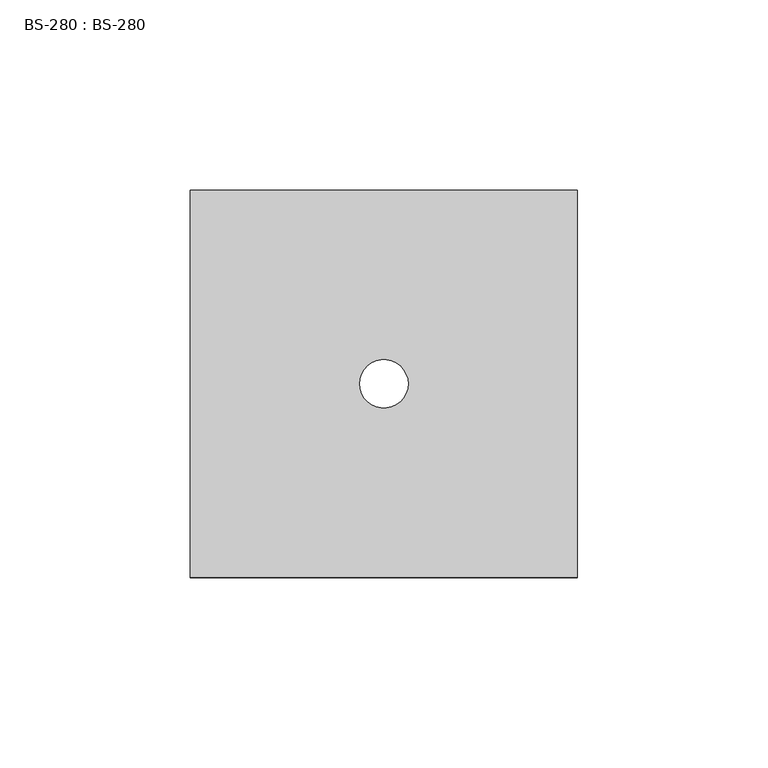
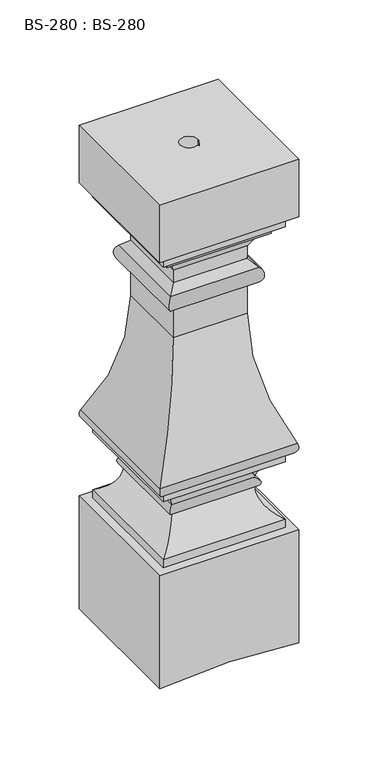
"""IFC4 building model written with IfcOpenShell, lengths in millimetres: proxy geometry, BS-280 : BS-280."""

import ifcopenshell
import ifcopenshell.guid

model = None  # the IFC model being written
_history = None  # IfcOwnerHistory: only IFC2X3 demands one
_inside = {}  # id of a spatial element -> (the spatial element, [elements in it])
_under = {}  # id of a project, library or spatial element -> (it, [spatial elements below it])
_declared = {}  # id of a project -> (the project, [libraries it declares])
_typed = {}  # id of a type object -> (the type object, [elements of that type])
_made_of = {}  # id of a material, layer set ... -> (it, [elements and type objects made of it])


def new_model(schema):
    """Start an empty IFC model of exactly this schema.

    Asked for "IFC4X3", IfcOpenShell would pick the latest addendum, in which some entities
    have other attributes; the version numbers below select the first issue.
    IFC2X3 requires an IfcOwnerHistory on every rooted entity: one is made here for all.
    """
    global model, _history
    if schema == "IFC4X3":
        model = ifcopenshell.file(schema_version=(4, 3, 0, 0))
    else:
        model = ifcopenshell.file(schema=schema)
    _inside.clear()
    _under.clear()
    _declared.clear()
    _typed.clear()
    _made_of.clear()
    _history = None
    if model.schema == "IFC2X3":
        org = make("IfcOrganization", Name="unknown")
        user = make(
            "IfcPersonAndOrganization",
            ThePerson=make("IfcPerson", FamilyName="unknown"),
            TheOrganization=org,
        )
        app = make(
            "IfcApplication",
            ApplicationDeveloper=org,
            Version="unknown",
            ApplicationFullName="unknown",
            ApplicationIdentifier="unknown",
        )
        _history = make(
            "IfcOwnerHistory",
            OwningUser=user,
            OwningApplication=app,
            ChangeAction="ADDED",
            CreationDate=0,
        )
    return model


def make(cls, **values):
    """One entity of the class cls with the attributes given. An attribute that is None is left unset."""
    return model.create_entity(
        cls, **{name: value for name, value in values.items() if value is not None}
    )


def rooted(cls, **values):
    """An entity with a GlobalId (a new one), such as an element, a storey or a relation."""
    return make(cls, GlobalId=ifcopenshell.guid.new(), OwnerHistory=_history, **values)


def si_unit(unit_type, name, prefix=None):
    """IfcSIUnit, for example si_unit("LENGTHUNIT", "METRE", prefix="MILLI")."""
    return make("IfcSIUnit", UnitType=unit_type, Prefix=prefix, Name=name)


def assignment(units):
    """IfcUnitAssignment: the units of a project."""
    return None if units is None else make("IfcUnitAssignment", Units=units)


def point(xyz):
    """IfcCartesianPoint."""
    return None if xyz is None else make("IfcCartesianPoint", Coordinates=xyz)


def direction(xyz):
    """IfcDirection."""
    return None if xyz is None else make("IfcDirection", DirectionRatios=xyz)


def frame(location, z_axis=None, x_axis=None):
    """IfcAxis2Placement3D, a coordinate frame: its origin and axes. An axis left out is left unset."""
    return make(
        "IfcAxis2Placement3D",
        Location=point(location),
        Axis=direction(z_axis),
        RefDirection=direction(x_axis),
    )


def origin():
    """The frame at (0, 0, 0) with its axes left unset."""
    return frame((0.0, 0.0, 0.0))


def place(relative_to, where):
    """IfcLocalPlacement: puts the frame where relative to a parent placement (None: the world)."""
    return make(
        "IfcLocalPlacement", PlacementRelTo=relative_to, RelativePlacement=where
    )


def context(
    kind, dimensions, precision=None, world=None, true_north=None, identifier=None
):
    """IfcGeometricRepresentationContext, for example the 3D "Model" context."""
    return make(
        "IfcGeometricRepresentationContext",
        ContextIdentifier=identifier,
        ContextType=kind,
        CoordinateSpaceDimension=dimensions,
        Precision=precision,
        WorldCoordinateSystem=world,
        TrueNorth=true_north,
    )


def project(units=None, contexts=None):
    """IfcProject with its units and contexts."""
    return rooted(
        "IfcProject",
        Name="project",
        RepresentationContexts=contexts,
        UnitsInContext=assignment(units),
    )


def spatial(cls, under=None, at=None, **own):
    """A site, building, storey or space (cls), placed at a placement, below another one or the project."""
    s = rooted(cls, ObjectPlacement=at, **own)
    if under is not None:
        _under.setdefault(under.id(), (under, []))[1].append(s)
    return s


def polyline(points):
    """IfcPolyline through the points."""
    return make("IfcPolyline", Points=[point(p) for p in points])


def circle_curve(where, radius):
    """IfcCircle in the frame where."""
    return make("IfcCircle", Position=where, Radius=radius)


def ellipse_curve(where, semi_axis1, semi_axis2):
    """IfcEllipse in the frame where."""
    return make(
        "IfcEllipse", Position=where, SemiAxis1=semi_axis1, SemiAxis2=semi_axis2
    )


def shape(context_of_items, identifier, shape_type, items):
    """IfcShapeRepresentation: the items that make up one representation, for example the "Body"."""
    return make(
        "IfcShapeRepresentation",
        ContextOfItems=context_of_items,
        RepresentationIdentifier=identifier,
        RepresentationType=shape_type,
        Items=items,
    )


def source(mapping_origin, context_of_items, identifier, shape_type, items):
    """IfcRepresentationMap: a shape defined once, which mapped items show again and again."""
    return make(
        "IfcRepresentationMap",
        MappingOrigin=mapping_origin,
        MappedRepresentation=shape(context_of_items, identifier, shape_type, items),
    )


def transform(
    local_origin,
    x_axis=None,
    y_axis=None,
    z_axis=None,
    scale=None,
    scale2=None,
    scale3=None,
    uniform=True,
):
    """IfcCartesianTransformationOperator3D, or its non-uniform kind. x_axis, y_axis, z_axis: its Axis1, 2, 3."""
    if uniform:
        return make(
            "IfcCartesianTransformationOperator3D",
            Axis1=direction(x_axis),
            Axis2=direction(y_axis),
            LocalOrigin=point(local_origin),
            Scale=scale,
            Axis3=direction(z_axis),
        )
    return make(
        "IfcCartesianTransformationOperator3DnonUniform",
        Axis1=direction(x_axis),
        Axis2=direction(y_axis),
        LocalOrigin=point(local_origin),
        Scale=scale,
        Axis3=direction(z_axis),
        Scale2=scale2,
        Scale3=scale3,
    )


def mapped(mapping_source, mapping_target):
    """IfcMappedItem: shows the shape of a source again, moved by a transform."""
    return make(
        "IfcMappedItem", MappingSource=mapping_source, MappingTarget=mapping_target
    )


def made_of(thing, what):
    """Note that an element or type object is made of a material, layer set ...; save() writes the relation."""
    if what is not None:
        _made_of.setdefault(what.id(), (what, []))[1].append(thing)
    return thing


def element(
    cls,
    number,
    at=None,
    inside=None,
    cuts=None,
    type_object=None,
    material=None,
    context=None,
    identifier="Body",
    shape_type=None,
    held_by="IfcProductDefinitionShape",
    body=None,
    shapes=None,
    **own,
):
    """One element of the class cls, such as IfcWall. Its Tag is "e" and its number.

    at: its placement. inside: the storey or other place that contains it. cuts: it is an
    opening in that element (IfcRelVoidsElement). A single representation is given by context,
    identifier, shape_type and body (its items); several are given by shapes. held_by: the class
    of the entity that holds the representations. save() writes the other relations.
    """
    e = rooted(cls, Tag="e%d" % number, ObjectPlacement=at, **own)
    if body is not None:
        shapes = [shape(context, identifier, shape_type, body)]
    if shapes is not None:
        e.Representation = make(held_by, Representations=shapes)
    if inside is not None:
        _inside.setdefault(inside.id(), (inside, []))[1].append(e)
    if cuts is not None:
        rooted(
            "IfcRelVoidsElement", RelatingBuildingElement=cuts, RelatedOpeningElement=e
        )
    if type_object is not None:
        _typed.setdefault(type_object.id(), (type_object, []))[1].append(e)
    return made_of(e, material)


def aggregate(whole, parts):
    """IfcRelAggregates: a whole, such as a stair, and the parts it consists of."""
    return rooted("IfcRelAggregates", RelatingObject=whole, RelatedObjects=parts)


def save(model, path):
    """Write the relations noted so far, then the file.

    IfcRelAggregates (storeys below a building ...), IfcRelContainedInSpatialStructure (elements
    in a storey), IfcRelDefinesByType, IfcRelAssociatesMaterial and IfcRelDeclares: one each for
    every whole, place, type object, material and project.
    """
    for whole, parts in _under.values():
        aggregate(whole, parts)
    for where, things in _inside.values():
        rooted(
            "IfcRelContainedInSpatialStructure",
            RelatedElements=things,
            RelatingStructure=where,
        )
    for kind, things in _typed.values():
        rooted("IfcRelDefinesByType", RelatedObjects=things, RelatingType=kind)
    for what, things in _made_of.values():
        rooted("IfcRelAssociatesMaterial", RelatedObjects=things, RelatingMaterial=what)
    for by, libraries in _declared.values():
        rooted("IfcRelDeclares", RelatingContext=by, RelatedDefinitions=libraries)
    model.write(path)


def plane_surface(at):
    """IfcPlane: the flat surface through the origin of the frame at, square to its z axis."""
    return make("IfcPlane", Position=at)


def cylinder_surface(at, radius):
    """IfcCylindricalSurface: all points at the distance radius from the z axis of the frame at."""
    return make("IfcCylindricalSurface", Position=at, Radius=radius)


def revolved_surface(curve, axis_point, axis_direction):
    """IfcSurfaceOfRevolution: the curve turned about the line through axis_point along axis_direction."""
    return make(
        "IfcSurfaceOfRevolution",
        SweptCurve=make("IfcArbitraryOpenProfileDef", ProfileType="CURVE", Curve=curve),
        AxisPosition=make("IfcAxis1Placement", Location=point(axis_point), Axis=direction(axis_direction)),
    )


def advanced_brep(points, edges, surfaces, faces):
    """IfcAdvancedBrep: a solid bounded by faces that lie on surfaces and meet in shared edges.

    An edge is (start, end): straight between two places in points (the first is 0);
    or (start, end, curve); or (start, end, curve, False) where it runs against its curve.
    A face is (place in surfaces, loops), or (place, loops, False) where it looks against
    its surface's normal. A loop lists edges by number (the first is 1), with a minus sign
    where the edge is run from its end to its start. The first loop is the outer one.
    """
    corners = [point(p) for p in points]
    vertices = [make("IfcVertexPoint", VertexGeometry=c) for c in corners]
    made = []
    for start, end, *more in edges:
        made.append(
            make(
                "IfcEdgeCurve",
                EdgeStart=vertices[start],
                EdgeEnd=vertices[end],
                EdgeGeometry=more[0] if more else make("IfcPolyline", Points=[corners[start], corners[end]]),
                SameSense=more[1] if len(more) > 1 else True,
            )
        )
    hull = []
    for where, loops, *sense in faces:
        bounds = []
        for j, loop in enumerate(loops):
            ring = [make("IfcOrientedEdge", EdgeElement=made[abs(k) - 1], Orientation=k > 0) for k in loop]
            bounds.append(
                make(
                    "IfcFaceOuterBound" if j == 0 else "IfcFaceBound",
                    Bound=make("IfcEdgeLoop", EdgeList=ring),
                    Orientation=True,
                )
            )
        hull.append(make("IfcAdvancedFace", Bounds=bounds, FaceSurface=surfaces[where], SameSense=sense[0] if sense else True))
    return make("IfcAdvancedBrep", Outer=make("IfcClosedShell", CfsFaces=hull))


def bs_280_bs_280_a9f0d3d1(model_context):
    return source(origin(), model_context, "Body", "AdvancedBrep", [
        advanced_brep(
        [(-50.8, -50.7949479, 373.0625), (-50.8, -50.7949479, 328.6125), (50.8, -50.7949479, 328.6125), (50.8, -50.7949479, 373.0625), (-50.8, 50.7949479, 373.0625), (50.8, 50.7949479, 373.0625), (50.8, 50.7949479, 328.6125), (-50.8, 50.7949479, 328.6125), (-6.35, 0.0, 373.0625), (6.35, 0.0, 373.0625), (44.45, -44.4449479, 328.6125), (44.45, 44.4550521, 328.6125), (-44.45, 44.4550521, 328.6125), (-44.45, -44.4449479, 328.6125), (-6.35, 0.0, 2.778125), (0.0, 6.35, 3.175), (6.35, 0.0, 2.778125), (0.0, -6.35, 3.175), (-50.8, -50.7949479, 87.3125), (-50.8, -50.7949479, 0.0), (0.0, -50.7949479, 3.175), (50.8, -50.7949479, 0.0), (50.8, -50.7949479, 87.3125), (-50.8, 50.7949479, 87.3125), (50.8, 50.7949479, 87.3125), (50.8, 50.7949479, 0.0), (0.0, 50.7949479, 3.175), (-50.8, 50.7949479, 0.0), (44.45, 44.4550521, 87.3125), (44.45, -44.4449479, 87.3125), (-44.45, -44.4449479, 87.3125), (-44.45, 44.4550521, 87.3125), (26.9875, -26.9824479, 247.8320011), (50.0784091, -50.073357, 153.7524849), (50.0784091, 50.0834612, 153.7524849), (26.9875, 26.9925521, 247.8320011), (26.9875, 26.9925521, 271.4625), (26.9875, -26.9824479, 271.4625), (32.5425928, 32.5476449, 285.0696429), (32.5425928, -32.5375407, 285.0696429), (26.9875, 26.9925521, 290.5125), (26.9875, -26.9824479, 290.5125), (26.9875, 26.9925521, 300.0375), (26.9875, -26.9824479, 300.0375), (33.3375, 33.3425521, 312.7375), (33.3375, -33.3324479, 312.7375), (38.1, -38.0949479, 319.0875), (38.1, -38.0949479, 312.7375), (38.1, 38.1050521, 312.7375), (38.1, 38.1050521, 319.0875), (44.45, -44.4449479, 319.0875), (44.45, 44.4550521, 319.0875), (44.45, -44.4449479, 93.6625), (44.45, 44.4550521, 93.6625), (30.1625, 30.1675521, 115.8875), (30.1625, -30.1574479, 115.8875), (30.1625, 30.1675521, 122.2375), (30.1625, -30.1574479, 122.2375), (44.45, 44.4550521, 138.1125), (44.45, -44.4449479, 138.1125), (44.45, 44.4550521, 144.4625), (44.45, -44.4449479, 144.4625), (-50.0784091, 50.0834612, 153.7524849), (-26.9875, 26.9925521, 247.8320011), (-26.9875, 26.9925521, 271.4625), (-32.5425928, 32.5476449, 285.0696429), (-26.9875, 26.9925521, 290.5125), (-26.9875, 26.9925521, 300.0375), (-33.3375, 33.3425521, 312.7375), (-38.1, 38.1050521, 312.7375), (-38.1, 38.1050521, 319.0875), (-44.45, 44.4550521, 319.0875), (-44.45, 44.4550521, 93.6625), (-30.1625, 30.1675521, 115.8875), (-30.1625, 30.1675521, 122.2375), (-44.45, 44.4550521, 138.1125), (-44.45, 44.4550521, 144.4625), (-50.0784091, -50.073357, 153.7524849), (-26.9875, -26.9824479, 247.8320011), (-26.9875, -26.9824479, 271.4625), (-32.5425928, -32.5375407, 285.0696429), (-26.9875, -26.9824479, 290.5125), (-26.9875, -26.9824479, 300.0375), (-33.3375, -33.3324479, 312.7375), (-38.1, -38.0949479, 312.7375), (-38.1, -38.0949479, 319.0875), (-44.45, -44.4449479, 319.0875), (-44.45, -44.4449479, 93.6625), (-30.1625, -30.1574479, 115.8875), (-30.1625, -30.1574479, 122.2375), (-44.45, -44.4449479, 138.1125), (-44.45, -44.4449479, 144.4625)],
        [
            (0, 1),
            (1, 2),
            (2, 3),
            (3, 0),
            (4, 5),
            (5, 6),
            (6, 7),
            (7, 4),
            (0, 4),
            (7, 1),
            (2, 6),
            (5, 3),
            (8, 9, circle_curve(frame((0.0, 0.0, 373.0625), z_axis=(0.0, 0.0, -1.0), x_axis=(1.0, 0.0, 0.0)), 6.35)),
            (9, 8, circle_curve(frame((0.0, 0.0, 373.0625), z_axis=(0.0, 0.0, -1.0), x_axis=(1.0, 0.0, 0.0)), 6.35)),
            (10, 11),
            (11, 12),
            (12, 13),
            (13, 10),
            (8, 14),
            (14, 15, ellipse_curve(frame((0.0, 0.0, 3.175), z_axis=(0.06237828615516919, 0.0, -0.9980525784828893), x_axis=(-0.9980525784828892, 0.0, -0.06237828615516863)), 6.3623903, 6.35)),
            (15, 16, ellipse_curve(frame((0.0, 0.0, 3.175), z_axis=(-0.062378286155175815, 0.0, -0.9980525784828889), x_axis=(0.998052578482889, 0.0, -0.06237828615517601)), 6.3623903, 6.35)),
            (16, 9),
            (16, 17, ellipse_curve(frame((0.0, 0.0, 3.175), z_axis=(-0.062378286155175815, 0.0, -0.9980525784828889), x_axis=(0.998052578482889, 0.0, -0.06237828615517601)), 6.3623903, 6.35)),
            (17, 14, ellipse_curve(frame((0.0, 0.0, 3.175), z_axis=(0.06237828615516919, 0.0, -0.9980525784828893), x_axis=(-0.9980525784828892, 0.0, -0.06237828615516863)), 6.3623903, 6.35)),
            (18, 19),
            (19, 20),
            (20, 21),
            (21, 22),
            (22, 18),
            (23, 24),
            (24, 25),
            (25, 26),
            (26, 27),
            (27, 23),
            (18, 23),
            (27, 19),
            (21, 25),
            (24, 22),
            (28, 29),
            (29, 30),
            (30, 31),
            (31, 28),
            (26, 15),
            (17, 20),
            (32, 33, ellipse_curve(frame((230.1875, -230.1824479, 247.8320011), z_axis=(-0.7071067811865476, -0.7071067811865474, 0.0), x_axis=(-0.7071067811865471, 0.7071067811865478, 0.0)), 287.3681959, 203.2)),
            (33, 34),
            (34, 35, ellipse_curve(frame((230.1875, 230.1925521, 247.8320011), z_axis=(-0.7071067811865474, 0.7071067811865476, 0.0), x_axis=(0.7071067811865476, 0.7071067811865475, 0.0)), 287.3681959, 203.2)),
            (35, 32),
            (35, 36),
            (36, 37),
            (37, 32),
            (36, 38, ellipse_curve(frame((26.9875, 26.9925521, 279.4), z_axis=(0.7071067811865474, -0.7071067811865476, 0.0), x_axis=(-0.7071067811865476, -0.7071067811865475, 0.0)), 11.2253202, 7.9375)),
            (38, 39),
            (39, 37, ellipse_curve(frame((26.9875, -26.9824479, 279.4), z_axis=(0.7071067811865476, 0.7071067811865474, 0.0), x_axis=(0.7071067811865471, -0.7071067811865478, 0.0)), 11.2253202, 7.9375)),
            (38, 40),
            (40, 41),
            (41, 39),
            (40, 42),
            (42, 43),
            (43, 41),
            (42, 44),
            (44, 45),
            (45, 43),
            (46, 47),
            (47, 48),
            (48, 49),
            (49, 46),
            (10, 50),
            (50, 51),
            (51, 11),
            (52, 29),
            (28, 53),
            (53, 52),
            (53, 54, ellipse_curve(frame((55.5549609, 55.560013, 116.5063141), z_axis=(-0.7071067811865474, 0.7071067811865476, 0.0), x_axis=(0.7071067811865476, 0.7071067811865475, 0.0)), 35.9210245, 25.4)),
            (54, 55),
            (55, 52, ellipse_curve(frame((55.5549609, -55.5499088, 116.5063141), z_axis=(-0.7071067811865476, -0.7071067811865474, 0.0), x_axis=(-0.7071067811865471, 0.7071067811865478, 0.0)), 35.9210245, 25.4)),
            (54, 56, ellipse_curve(frame((30.1625, 30.1675521, 119.0625), z_axis=(0.7071067811865474, -0.7071067811865476, 0.0), x_axis=(-0.7071067811865476, -0.7071067811865475, 0.0)), 4.4901281, 3.175)),
            (56, 57),
            (57, 55, ellipse_curve(frame((30.1625, -30.1574479, 119.0625), z_axis=(0.7071067811865476, 0.7071067811865474, 0.0), x_axis=(0.7071067811865471, -0.7071067811865478, 0.0)), 4.4901281, 3.175)),
            (56, 58, ellipse_curve(frame((49.0320639, 49.037116, 119.6217675), z_axis=(-0.7071067811865474, 0.7071067811865476, 0.0), x_axis=(0.7071067811865476, 0.7071067811865475, 0.0)), 26.9407684, 19.05)),
            (58, 59),
            (59, 57, ellipse_curve(frame((49.0320639, -49.0270118, 119.6217675), z_axis=(-0.7071067811865476, -0.7071067811865474, 0.0), x_axis=(-0.7071067811865471, 0.7071067811865478, 0.0)), 26.9407684, 19.05)),
            (58, 60),
            (60, 61),
            (61, 59),
            (33, 61, ellipse_curve(frame((44.45, -44.4449479, 150.8125), z_axis=(0.7071067811865476, 0.7071067811865474, 0.0), x_axis=(0.7071067811865471, -0.7071067811865478, 0.0)), 8.9802561, 6.35)),
            (60, 34, ellipse_curve(frame((44.45, 44.4550521, 150.8125), z_axis=(0.7071067811865474, -0.7071067811865476, 0.0), x_axis=(-0.7071067811865476, -0.7071067811865475, 0.0)), 8.9802561, 6.35)),
            (34, 62),
            (62, 63, ellipse_curve(frame((-230.1875, 230.1925521, 247.8320011), z_axis=(-0.7071067811865476, -0.7071067811865474, 0.0), x_axis=(-0.7071067811865475, 0.7071067811865475, 0.0)), 287.3681959, 203.2)),
            (63, 35),
            (63, 64),
            (64, 36),
            (64, 65, ellipse_curve(frame((-26.9875, 26.9925521, 279.4), z_axis=(0.7071067811865476, 0.7071067811865474, 0.0), x_axis=(0.7071067811865475, -0.7071067811865475, 0.0)), 11.2253202, 7.9375)),
            (65, 38),
            (65, 66),
            (66, 40),
            (66, 67),
            (67, 42),
            (67, 68),
            (68, 44),
            (48, 69),
            (69, 70),
            (70, 49),
            (51, 71),
            (71, 12),
            (31, 72),
            (72, 53),
            (72, 73, ellipse_curve(frame((-55.5549609, 55.560013, 116.5063141), z_axis=(-0.7071067811865476, -0.7071067811865474, 0.0), x_axis=(-0.7071067811865475, 0.7071067811865475, 0.0)), 35.9210245, 25.4)),
            (73, 54),
            (73, 74, ellipse_curve(frame((-30.1625, 30.1675521, 119.0625), z_axis=(0.7071067811865476, 0.7071067811865474, 0.0), x_axis=(0.7071067811865475, -0.7071067811865475, 0.0)), 4.4901281, 3.175)),
            (74, 56),
            (74, 75, ellipse_curve(frame((-49.0320639, 49.037116, 119.6217675), z_axis=(-0.7071067811865476, -0.7071067811865474, 0.0), x_axis=(-0.7071067811865475, 0.7071067811865475, 0.0)), 26.9407684, 19.05)),
            (75, 58),
            (75, 76),
            (76, 60),
            (76, 62, ellipse_curve(frame((-44.45, 44.4550521, 150.8125), z_axis=(0.7071067811865476, 0.7071067811865474, 0.0), x_axis=(0.7071067811865475, -0.7071067811865475, 0.0)), 8.9802561, 6.35)),
            (62, 77),
            (77, 78, ellipse_curve(frame((-230.1875, -230.1824479, 247.8320011), z_axis=(0.7071067811865474, -0.7071067811865476, 0.0), x_axis=(-0.7071067811865475, -0.7071067811865475, 0.0)), 287.3681959, 203.2)),
            (78, 63),
            (78, 79),
            (79, 64),
            (79, 80, ellipse_curve(frame((-26.9875, -26.9824479, 279.4), z_axis=(-0.7071067811865474, 0.7071067811865476, 0.0), x_axis=(0.7071067811865475, 0.7071067811865475, 0.0)), 11.2253202, 7.9375)),
            (80, 65),
            (80, 81),
            (81, 66),
            (81, 82),
            (82, 67),
            (82, 83),
            (83, 68),
            (69, 84),
            (84, 85),
            (85, 70),
            (71, 86),
            (86, 13),
            (30, 87),
            (87, 72),
            (87, 88, ellipse_curve(frame((-55.5549609, -55.5499088, 116.5063141), z_axis=(0.7071067811865474, -0.7071067811865476, 0.0), x_axis=(-0.7071067811865475, -0.7071067811865475, 0.0)), 35.9210245, 25.4)),
            (88, 73),
            (88, 89, ellipse_curve(frame((-30.1625, -30.1574479, 119.0625), z_axis=(-0.7071067811865474, 0.7071067811865476, 0.0), x_axis=(0.7071067811865475, 0.7071067811865475, 0.0)), 4.4901281, 3.175)),
            (89, 74),
            (89, 90, ellipse_curve(frame((-49.0320639, -49.0270118, 119.6217675), z_axis=(0.7071067811865474, -0.7071067811865476, 0.0), x_axis=(-0.7071067811865475, -0.7071067811865475, 0.0)), 26.9407684, 19.05)),
            (90, 75),
            (90, 91),
            (91, 76),
            (91, 77, ellipse_curve(frame((-44.45, -44.4449479, 150.8125), z_axis=(-0.7071067811865474, 0.7071067811865476, 0.0), x_axis=(0.7071067811865475, 0.7071067811865475, 0.0)), 8.9802561, 6.35)),
            (32, 78),
            (77, 33),
            (37, 79),
            (39, 80),
            (41, 81),
            (43, 82),
            (45, 83),
            (47, 84),
            (46, 85),
            (50, 86),
            (52, 87),
            (55, 88),
            (57, 89),
            (59, 90),
            (61, 91),
        ],
        [
            plane_surface(frame((-50.8, -50.7949479, 285.75), z_axis=(0.0, -1.0, 0.0), x_axis=(0.0, 0.0, -1.0))),
            plane_surface(frame((-50.8, 50.7949479, 285.75), z_axis=(0.0, 1.0, 0.0), x_axis=(0.0, 0.0, 1.0))),
            plane_surface(frame((-50.8, -50.7949479, 373.0625), z_axis=(-1.0, 0.0, 0.0), x_axis=(0.0, 1.0, 0.0))),
            plane_surface(frame((50.8, -50.7949479, 328.6125), z_axis=(1.0, 0.0, 0.0), x_axis=(0.0, 1.0, 0.0))),
            plane_surface(frame((50.8, -50.7949479, 373.0625), z_axis=(0.0, 0.0, 1.0), x_axis=(0.0, 1.0, 0.0))),
            plane_surface(frame((-50.8, -50.7949479, 328.6125), z_axis=(0.0, 0.0, -1.0), x_axis=(0.0, 1.0, 0.0))),
            revolved_surface(polyline([(6.35, 0.0, 2.778124997235693), (6.35, 0.0, 373.0625)]), (0.0, 0.0, 373.0625), (0.0, 0.0, -1.0)),
            plane_surface(frame((-50.8, -50.7949479, 0.0), z_axis=(0.0, -1.0, 0.0), x_axis=(0.0, 0.0, -1.0))),
            plane_surface(frame((-50.8, 50.7949479, 0.0), z_axis=(0.0, 1.0, 0.0), x_axis=(0.0, 0.0, 1.0))),
            plane_surface(frame((-50.8, -50.7949479, 87.3125), z_axis=(-1.0, 0.0, 0.0), x_axis=(0.0, 1.0, 0.0))),
            plane_surface(frame((50.8, -50.7949479, 0.0), z_axis=(1.0, 0.0, 0.0), x_axis=(0.0, 1.0, 0.0))),
            plane_surface(frame((50.8, -50.7949479, 87.3125), z_axis=(0.0, 0.0, 1.0), x_axis=(0.0, 1.0, 0.0))),
            plane_surface(frame((-50.8, -50.7949479, 0.0), z_axis=(0.06237828615516919, 0.0, -0.9980525784828893), x_axis=(0.0, 1.0, 0.0))),
            plane_surface(frame((0.0, -50.7949479, 3.175), z_axis=(-0.062378286155175815, 0.0, -0.9980525784828889), x_axis=(0.0, 1.0, 0.0))),
            revolved_surface(polyline([(433.3875, 433.3925521182342, 247.8320011), (433.3875, -433.38244791823433, 247.8320011)]), (230.1875, -44.4449479, 247.8320011), (0.0, 1.0, 0.0)),
            plane_surface(frame((26.9875, -26.9824479, 247.8320011), z_axis=(1.0, 0.0, 0.0), x_axis=(0.0, 1.0, 0.0))),
            cylinder_surface(frame((26.9875, -44.4449479, 279.4), z_axis=(0.0, -1.0, 0.0), x_axis=(1.0, 0.0, 0.0)), 7.9375),
            plane_surface(frame((32.5425928, -32.5375407, 285.0696429), z_axis=(0.6998542122240646, 0.0, 0.7142857142854211), x_axis=(0.0, 1.0, 0.0))),
            plane_surface(frame((26.9875, -26.9824479, 290.5125), z_axis=(1.0, 0.0, 0.0), x_axis=(0.0, 1.0, 0.0))),
            plane_surface(frame((26.9875, -26.9824479, 300.0375), z_axis=(0.8944271909996101, 0.0, -0.44721359550056955), x_axis=(0.0, 1.0, 0.0))),
            plane_surface(frame((38.1, -38.0949479, 312.7375), z_axis=(1.0, 0.0, 0.0), x_axis=(0.0, 1.0, 0.0))),
            plane_surface(frame((44.45, -44.4449479, 319.0875), z_axis=(1.0, 0.0, 0.0), x_axis=(0.0, 1.0, 0.0))),
            plane_surface(frame((44.45, -44.4449479, 87.3125), z_axis=(1.0, 0.0, 0.0), x_axis=(0.0, 1.0, 0.0))),
            revolved_surface(polyline([(80.9549609, 80.96001301111811, 116.5063141), (80.9549609, -80.94990881111812, 116.5063141)]), (55.5549609, -44.4449479, 116.5063141), (0.0, 1.0, 0.0)),
            cylinder_surface(frame((30.1625, -44.4449479, 119.0625), z_axis=(0.0, -1.0, 0.0), x_axis=(1.0, 0.0, 0.0)), 3.175),
            revolved_surface(polyline([(68.0820639, 68.08711602601625, 119.6217675), (68.0820639, -68.07701182601626, 119.6217675)]), (49.0320639, -44.4449479, 119.6217675), (0.0, 1.0, 0.0)),
            plane_surface(frame((44.45, -44.4449479, 138.1125), z_axis=(1.0, 0.0, 0.0), x_axis=(0.0, 1.0, 0.0))),
            cylinder_surface(frame((44.45, -44.4449479, 150.8125), z_axis=(0.0, -1.0, 0.0), x_axis=(1.0, 0.0, 0.0)), 6.35),
            revolved_surface(polyline([(-433.3875000182342, 433.3925521, 247.8320011), (433.3875000182342, 433.3925521, 247.8320011)]), (44.45, 230.1925521, 247.8320011), (-1.0, 0.0, 0.0)),
            plane_surface(frame((26.9875, 26.9925521, 247.8320011), z_axis=(0.0, 1.0, 0.0), x_axis=(-1.0, 0.0, 0.0))),
            cylinder_surface(frame((44.45, 26.9925521, 279.4), z_axis=(1.0, 0.0, 0.0), x_axis=(0.0, 1.0, 0.0)), 7.9375),
            plane_surface(frame((32.5425928, 32.5476449, 285.0696429), z_axis=(0.0, 0.6998542122240634, 0.7142857142854222), x_axis=(-1.0, 0.0, 0.0))),
            plane_surface(frame((26.9875, 26.9925521, 290.5125), z_axis=(0.0, 1.0, 0.0), x_axis=(-1.0, 0.0, 0.0))),
            plane_surface(frame((26.9875, 26.9925521, 300.0375), z_axis=(0.0, 0.8944271909996109, -0.44721359550056805), x_axis=(-1.0, 0.0, 0.0))),
            plane_surface(frame((38.1, 38.1050521, 312.7375), z_axis=(0.0, 1.0, 0.0), x_axis=(-1.0, 0.0, 0.0))),
            plane_surface(frame((44.45, 44.4550521, 319.0875), z_axis=(0.0, 1.0, 0.0), x_axis=(-1.0, 0.0, 0.0))),
            plane_surface(frame((44.45, 44.4550521, 87.3125), z_axis=(0.0, 1.0, 0.0), x_axis=(-1.0, 0.0, 0.0))),
            revolved_surface(polyline([(-80.9549609111181, 80.960013, 116.5063141), (80.95496091111812, 80.960013, 116.5063141)]), (44.45, 55.560013, 116.5063141), (-1.0, 0.0, 0.0)),
            cylinder_surface(frame((44.45, 30.1675521, 119.0625), z_axis=(1.0, 0.0, 0.0), x_axis=(0.0, 1.0, 0.0)), 3.175),
            revolved_surface(polyline([(-68.08206392601625, 68.087116, 119.6217675), (68.08206392601625, 68.087116, 119.6217675)]), (44.45, 49.037116, 119.6217675), (-1.0, 0.0, 0.0)),
            plane_surface(frame((44.45, 44.4550521, 138.1125), z_axis=(0.0, 1.0, 0.0), x_axis=(-1.0, 0.0, 0.0))),
            cylinder_surface(frame((44.45, 44.4550521, 150.8125), z_axis=(1.0, 0.0, 0.0), x_axis=(0.0, 1.0, 0.0)), 6.35),
            revolved_surface(polyline([(-433.3875, -433.3824479182342, 247.8320011), (-433.3875, 433.3925521182342, 247.8320011)]), (-230.1875, 44.4550521, 247.8320011), (0.0, -1.0, 0.0)),
            plane_surface(frame((-26.9875, 26.9925521, 247.8320011), z_axis=(-1.0, 0.0, 0.0), x_axis=(0.0, -1.0, 0.0))),
            cylinder_surface(frame((-26.9875, 44.4550521, 279.4), z_axis=(0.0, 1.0, 0.0), x_axis=(-1.0, 0.0, 0.0)), 7.9375),
            plane_surface(frame((-32.5425928, 32.5476449, 285.0696429), z_axis=(-0.6998542122240622, 0.0, 0.7142857142854233), x_axis=(0.0, -1.0, 0.0))),
            plane_surface(frame((-26.9875, 26.9925521, 290.5125), z_axis=(-1.0, 0.0, 0.0), x_axis=(0.0, -1.0, 0.0))),
            plane_surface(frame((-26.9875, 26.9925521, 300.0375), z_axis=(-0.8944271909996117, 0.0, -0.44721359550056655), x_axis=(0.0, -1.0, 0.0))),
            plane_surface(frame((-38.1, 38.1050521, 312.7375), z_axis=(-1.0, 0.0, 0.0), x_axis=(0.0, -1.0, 0.0))),
            plane_surface(frame((-44.45, 44.4550521, 319.0875), z_axis=(-1.0, 0.0, 0.0), x_axis=(0.0, -1.0, 0.0))),
            plane_surface(frame((-44.45, 44.4550521, 87.3125), z_axis=(-1.0, 0.0, 0.0), x_axis=(0.0, -1.0, 0.0))),
            revolved_surface(polyline([(-80.9549609, -80.9499088111181, 116.5063141), (-80.9549609, 80.96001301111811, 116.5063141)]), (-55.5549609, 44.4550521, 116.5063141), (0.0, -1.0, 0.0)),
            cylinder_surface(frame((-30.1625, 44.4550521, 119.0625), z_axis=(0.0, 1.0, 0.0), x_axis=(-1.0, 0.0, 0.0)), 3.175),
            revolved_surface(polyline([(-68.0820639, -68.07701182601625, 119.6217675), (-68.0820639, 68.08711602601625, 119.6217675)]), (-49.0320639, 44.4550521, 119.6217675), (0.0, -1.0, 0.0)),
            plane_surface(frame((-44.45, 44.4550521, 138.1125), z_axis=(-1.0, 0.0, 0.0), x_axis=(0.0, -1.0, 0.0))),
            cylinder_surface(frame((-44.45, 44.4550521, 150.8125), z_axis=(0.0, 1.0, 0.0), x_axis=(-1.0, 0.0, 0.0)), 6.35),
            revolved_surface(polyline([(433.3875000182341, -433.3824479, 247.8320011), (-433.3875000182342, -433.3824479, 247.8320011)]), (-44.45, -230.1824479, 247.8320011), (1.0, 0.0, 0.0)),
            plane_surface(frame((-26.9875, -26.9824479, 247.8320011), z_axis=(0.0, -1.0, 0.0), x_axis=(1.0, 0.0, 0.0))),
            cylinder_surface(frame((-44.45, -26.9824479, 279.4), z_axis=(-1.0, 0.0, 0.0), x_axis=(0.0, -1.0, 0.0)), 7.9375),
            plane_surface(frame((-32.5425928, -32.5375407, 285.0696429), z_axis=(0.0, -0.6998542122240634, 0.7142857142854222), x_axis=(1.0, 0.0, 0.0))),
            plane_surface(frame((-26.9875, -26.9824479, 290.5125), z_axis=(0.0, -1.0, 0.0), x_axis=(1.0, 0.0, 0.0))),
            plane_surface(frame((-26.9875, -26.9824479, 300.0375), z_axis=(0.0, -0.8944271909996109, -0.44721359550056805), x_axis=(1.0, 0.0, 0.0))),
            plane_surface(frame((-33.3375, -33.3324479, 312.7375), z_axis=(0.0, 0.0, -1.0), x_axis=(1.0, 0.0, 0.0))),
            plane_surface(frame((-38.1, -38.0949479, 312.7375), z_axis=(0.0, -1.0, 0.0), x_axis=(1.0, 0.0, 0.0))),
            plane_surface(frame((-38.1, -38.0949479, 319.0875), z_axis=(0.0, 0.0, -1.0), x_axis=(1.0, 0.0, 0.0))),
            plane_surface(frame((-44.45, -44.4449479, 319.0875), z_axis=(0.0, -1.0, 0.0), x_axis=(1.0, 0.0, 0.0))),
            plane_surface(frame((-44.45, -44.4449479, 87.3125), z_axis=(0.0, -1.0, 0.0), x_axis=(1.0, 0.0, 0.0))),
            revolved_surface(polyline([(80.95496091111809, -80.9499088, 116.5063141), (-80.9549609111181, -80.9499088, 116.5063141)]), (-44.45, -55.5499088, 116.5063141), (1.0, 0.0, 0.0)),
            cylinder_surface(frame((-44.45, -30.1574479, 119.0625), z_axis=(-1.0, 0.0, 0.0), x_axis=(0.0, -1.0, 0.0)), 3.175),
            revolved_surface(polyline([(68.08206392601623, -68.0770118, 119.6217675), (-68.08206392601625, -68.0770118, 119.6217675)]), (-44.45, -49.0270118, 119.6217675), (1.0, 0.0, 0.0)),
            plane_surface(frame((-44.45, -44.4449479, 138.1125), z_axis=(0.0, -1.0, 0.0), x_axis=(1.0, 0.0, 0.0))),
            cylinder_surface(frame((-44.45, -44.4449479, 150.8125), z_axis=(-1.0, 0.0, 0.0), x_axis=(0.0, -1.0, 0.0)), 6.35),
        ],
        [
            (0, [[1, 2, 3, 4]]),
            (1, [[5, 6, 7, 8]]),
            (2, [[-1, 9, -8, 10]]),
            (3, [[-3, 11, -6, 12]]),
            (4, [[-4, -12, -5, -9], [13, 14]]),
            (5, [[-2, -10, -7, -11], [15, 16, 17, 18]]),
            (6, [[19, 20, 21, 22, -13]]),
            (6, [[-19, -14, -22, 23, 24]]),
            (7, [[25, 26, 27, 28, 29]]),
            (8, [[30, 31, 32, 33, 34]]),
            (9, [[-25, 35, -34, 36]]),
            (10, [[-28, 37, -31, 38]]),
            (11, [[-29, -38, -30, -35], [39, 40, 41, 42]]),
            (12, [[-26, -36, -33, 43, -20, -24, 44]]),
            (13, [[-27, -44, -23, -21, -43, -32, -37]]),
            (14, [[45, 46, 47, 48]]),
            (15, [[-48, 49, 50, 51]]),
            (16, [[-50, 52, 53, 54]]),
            (17, [[-53, 55, 56, 57]]),
            (18, [[-56, 58, 59, 60]]),
            (19, [[-59, 61, 62, 63]]),
            (20, [[64, 65, 66, 67]]),
            (21, [[68, 69, 70, -15]]),
            (22, [[71, -39, 72, 73]]),
            (23, [[-73, 74, 75, 76]]),
            (24, [[-75, 77, 78, 79]]),
            (25, [[-78, 80, 81, 82]]),
            (26, [[-81, 83, 84, 85]]),
            (27, [[-46, 86, -84, 87]]),
            (28, [[-47, 88, 89, 90]]),
            (29, [[-49, -90, 91, 92]]),
            (30, [[-52, -92, 93, 94]]),
            (31, [[-55, -94, 95, 96]]),
            (32, [[-58, -96, 97, 98]]),
            (33, [[-61, -98, 99, 100]]),
            (34, [[-66, 101, 102, 103]]),
            (35, [[-70, 104, 105, -16]]),
            (36, [[-72, -42, 106, 107]]),
            (37, [[-74, -107, 108, 109]]),
            (38, [[-77, -109, 110, 111]]),
            (39, [[-80, -111, 112, 113]]),
            (40, [[-83, -113, 114, 115]]),
            (41, [[-87, -115, 116, -88]]),
            (42, [[-89, 117, 118, 119]]),
            (43, [[-91, -119, 120, 121]]),
            (44, [[-93, -121, 122, 123]]),
            (45, [[-95, -123, 124, 125]]),
            (46, [[-97, -125, 126, 127]]),
            (47, [[-99, -127, 128, 129]]),
            (48, [[-102, 130, 131, 132]]),
            (49, [[-105, 133, 134, -17]]),
            (50, [[-106, -41, 135, 136]]),
            (51, [[-108, -136, 137, 138]]),
            (52, [[-110, -138, 139, 140]]),
            (53, [[-112, -140, 141, 142]]),
            (54, [[-114, -142, 143, 144]]),
            (55, [[-116, -144, 145, -117]]),
            (56, [[-45, 146, -118, 147]]),
            (57, [[-51, 148, -120, -146]]),
            (58, [[-54, 149, -122, -148]]),
            (59, [[-57, 150, -124, -149]]),
            (60, [[-60, 151, -126, -150]]),
            (61, [[-63, 152, -128, -151]]),
            (62, [[-65, 153, -130, -101], [-62, -100, -129, -152]]),
            (63, [[-64, 154, -131, -153]]),
            (64, [[-69, 155, -133, -104], [-67, -103, -132, -154]]),
            (65, [[-68, -18, -134, -155]]),
            (66, [[-71, 156, -135, -40]]),
            (67, [[-76, 157, -137, -156]]),
            (68, [[-79, 158, -139, -157]]),
            (69, [[-82, 159, -141, -158]]),
            (70, [[-85, 160, -143, -159]]),
            (71, [[-86, -147, -145, -160]]),
        ],
    ),
    ])


if __name__ == "__main__":
    model = new_model("IFC4")
    model_context = context("Model", 3, world=origin())
    ifc_project = project(units=[si_unit("LENGTHUNIT", "METRE", prefix="MILLI")], contexts=[model_context])
    site = spatial("IfcSite", under=ifc_project)
    building = spatial("IfcBuilding", under=site)
    placement = place(None, origin())
    bs_280_bs_280_shape = bs_280_bs_280_a9f0d3d1(model_context)
    element("IfcBuildingElementProxy", 1, Name="BS-280 : BS-280", ObjectType="BS-280 : BS-280", at=placement, inside=building, context=model_context, shape_type="MappedRepresentation", body=[
        mapped(bs_280_bs_280_shape, transform((0.0, 0.0, 0.0), x_axis=(1.0, 0.0, 0.0), y_axis=(0.0, 1.0, 0.0), z_axis=(0.0, 0.0, 1.0))),
    ])
    save(model, "model.ifc")
